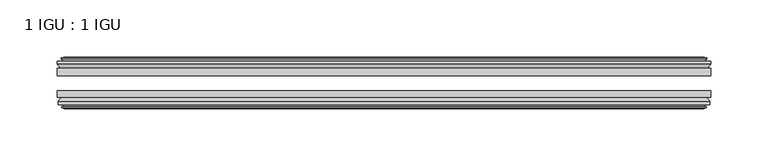
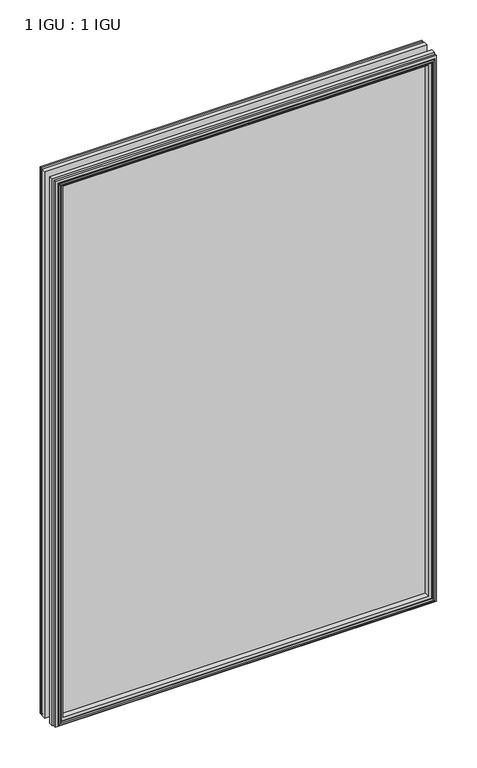
"""IFC4 building model written with IfcOpenShell, lengths in millimetres: plate geometry, 1 IGU : 1 IGU."""

from ifc_helpers import new_model, si_unit, frame, origin, place, context, project, spatial, polyline, outline, extrude, faceted_brep, source, transform, mapped, element, save


def plate_1_igu_1_igu_9da20168(model_context):
    return source(origin(), model_context, "Body", "SolidModel", [
        extrude(outline(polyline([(285.75, -25.8960937), (285.75, -32.2460938), (-285.75, -32.2460938), (-285.75, -25.8960937), (285.75, -25.8960937)])), frame((0.0, 0.0, -12.7), z_axis=(0.0, 0.0, 1.0), x_axis=(1.0, 0.0, 0.0)), (0.0, 0.0, 1.0), 863.6),
        extrude(outline(polyline([(-285.75, -51.2960938), (-285.75, -45.2686737), (285.75, -45.2686737), (285.75, -51.2960938), (-285.75, -51.2960938)])), frame((0.0, 0.0, -12.7), z_axis=(0.0, 0.0, 1.0), x_axis=(1.0, 0.0, 0.0)), (0.0, 0.0, 1.0), 863.6),
        faceted_brep([(-280.162, -60.0262907, 845.312), (-280.543, -57.6460937, 845.693), (-280.543, -57.6460937, -7.493), (-280.162, -60.0262907, -7.112), (-281.577529, -59.5663575, 846.727529), (-281.577529, -59.5663575, -8.5275291), (-281.577529, -60.3675717, 846.727529), (-281.577529, -60.3675717, -8.5275291), (-279.4, -61.0750937, 844.55), (-279.4, -61.0750937, -6.35), (-277.2224709, -60.3675717, 842.3724709), (-277.2224709, -60.3675717, -4.1724709), (-277.2224709, -59.5663575, 842.3724709), (-277.2224709, -59.5663575, -4.1724709), (-278.638, -60.0262907, 843.788), (-278.638, -60.0262907, -5.588), (-278.257, -57.6460937, 843.407), (-278.257, -57.6460937, -5.207), (-271.3322819, -51.2960937, 836.4822819), (-273.05, -57.6460937, 838.2), (-273.05, -57.6460937, 0.0), (-271.3322819, -51.2960937, 1.7177181), (-284.988, -54.6996937, 850.138), (-282.1536578, -51.2960937, 847.3036578), (-282.1536578, -51.2960937, -9.1036578), (-284.988, -54.6996937, -11.938), (-284.988, -57.6460937, 850.138), (-284.988, -57.6460937, -11.938), (280.543, -57.6460938, -7.493), (280.162, -60.0262907, -7.112), (281.577529, -59.5663575, -8.5275291), (281.577529, -60.3675717, -8.5275291), (279.4, -61.0750937, -6.35), (277.2224709, -60.3675717, -4.1724709), (277.2224709, -59.5663575, -4.1724709), (278.638, -60.0262907, -5.588), (278.257, -57.6460937, -5.207), (273.05, -57.6460937, 0.0), (271.3322819, -51.2960937, 1.7177181), (282.1536578, -51.2960937, -9.1036578), (284.988, -54.6996937, -11.938), (284.988, -57.6460938, -11.938), (280.543, -57.6460938, 845.693), (280.162, -60.0262907, 845.312), (281.577529, -59.5663575, 846.727529), (281.577529, -60.3675717, 846.727529), (279.4, -61.0750937, 844.55), (277.2224709, -60.3675717, 842.3724709), (277.2224709, -59.5663575, 842.3724709), (278.638, -60.0262907, 843.788), (278.257, -57.6460937, 843.407), (273.05, -57.6460937, 838.2), (271.3322819, -51.2960937, 836.4822819), (282.1536578, -51.2960937, 847.3036578), (284.988, -54.6996937, 850.138), (284.988, -57.6460938, 850.138)], [[[0, 1, 2, 3]], [[4, 0, 3, 5]], [[6, 4, 5, 7]], [[8, 6, 7, 9]], [[10, 8, 9, 11]], [[12, 10, 11, 13]], [[14, 12, 13, 15]], [[16, 14, 15, 17]], [[18, 19, 20, 21]], [[22, 23, 24, 25]], [[26, 22, 25, 27]], [[3, 2, 28, 29]], [[5, 3, 29, 30]], [[7, 5, 30, 31]], [[9, 7, 31, 32]], [[11, 9, 32, 33]], [[13, 11, 33, 34]], [[15, 13, 34, 35]], [[17, 15, 35, 36]], [[21, 20, 37, 38]], [[25, 24, 39, 40]], [[27, 25, 40, 41]], [[29, 28, 42, 43]], [[30, 29, 43, 44]], [[31, 30, 44, 45]], [[32, 31, 45, 46]], [[33, 32, 46, 47]], [[34, 33, 47, 48]], [[35, 34, 48, 49]], [[36, 35, 49, 50]], [[38, 37, 51, 52]], [[40, 39, 53, 54]], [[41, 40, 54, 55]], [[27, 41, 55, 26], [1, 42, 28, 2]], [[43, 42, 1, 0]], [[44, 43, 0, 4]], [[45, 44, 4, 6]], [[46, 45, 6, 8]], [[47, 46, 8, 10]], [[48, 47, 10, 12]], [[49, 48, 12, 14]], [[50, 49, 14, 16]], [[17, 36, 50, 16], [19, 51, 37, 20]], [[52, 51, 19, 18]], [[23, 53, 39, 24], [21, 38, 52, 18]], [[54, 53, 23, 22]], [[55, 54, 22, 26]]]),
        faceted_brep([(-282.6743578, -25.8960937, 847.8243578), (-285.5087, -22.4924937, 850.6587), (-285.5087, -22.4924937, -12.4587), (-282.6743578, -25.8960937, -9.6243578), (-273.5707, -19.5460937, 838.7207), (-271.8529819, -25.8960937, 837.0029819), (-271.8529819, -25.8960937, 1.1970181), (-273.5707, -19.5460937, -0.5207), (-279.1587, -17.1658968, 844.3087), (-278.7777, -19.5460937, 843.9277), (-278.7777, -19.5460937, -5.7277), (-279.1587, -17.1658968, -6.1087), (-277.7431709, -17.62583, 842.8931709), (-277.7431709, -17.62583, -4.6931709), (-277.7431709, -16.8246158, 842.8931709), (-277.7431709, -16.8246158, -4.6931709), (-279.9207, -16.1170937, 845.0707), (-279.9207, -16.1170937, -6.8707), (-282.098229, -16.8246158, 847.248229), (-282.098229, -16.8246158, -9.0482291), (-282.098229, -17.62583, 847.248229), (-282.098229, -17.62583, -9.0482291), (-280.6827, -17.1658968, 845.8327), (-280.6827, -17.1658968, -7.6327), (-281.0637, -19.5460937, 846.2137), (-281.0637, -19.5460937, -8.0137), (-285.5087, -19.5460937, 850.6587), (-285.5087, -19.5460937, -12.4587), (285.5087, -22.4924937, -12.4587), (282.6743578, -25.8960937, -9.6243578), (271.8529819, -25.8960937, 1.1970181), (273.5707, -19.5460937, -0.5207), (278.7777, -19.5460937, -5.7277), (279.1587, -17.1658968, -6.1087), (277.7431709, -17.62583, -4.6931709), (277.7431709, -16.8246158, -4.6931709), (279.9207, -16.1170937, -6.8707), (282.098229, -16.8246158, -9.0482291), (282.098229, -17.62583, -9.0482291), (280.6827, -17.1658968, -7.6327), (281.0637, -19.5460937, -8.0137), (285.5087, -19.5460937, -12.4587), (285.5087, -22.4924937, 850.6587), (282.6743578, -25.8960937, 847.8243578), (271.8529819, -25.8960937, 837.0029819), (273.5707, -19.5460937, 838.7207), (278.7777, -19.5460937, 843.9277), (279.1587, -17.1658968, 844.3087), (277.7431709, -17.62583, 842.8931709), (277.7431709, -16.8246158, 842.8931709), (279.9207, -16.1170937, 845.0707), (282.098229, -16.8246158, 847.248229), (282.098229, -17.62583, 847.248229), (280.6827, -17.1658968, 845.8327), (281.0637, -19.5460937, 846.2137), (285.5087, -19.5460937, 850.6587)], [[[0, 1, 2, 3]], [[4, 5, 6, 7]], [[8, 9, 10, 11]], [[12, 8, 11, 13]], [[14, 12, 13, 15]], [[16, 14, 15, 17]], [[18, 16, 17, 19]], [[20, 18, 19, 21]], [[22, 20, 21, 23]], [[24, 22, 23, 25]], [[1, 26, 27, 2]], [[3, 2, 28, 29]], [[7, 6, 30, 31]], [[11, 10, 32, 33]], [[13, 11, 33, 34]], [[15, 13, 34, 35]], [[17, 15, 35, 36]], [[19, 17, 36, 37]], [[21, 19, 37, 38]], [[23, 21, 38, 39]], [[25, 23, 39, 40]], [[2, 27, 41, 28]], [[29, 28, 42, 43]], [[31, 30, 44, 45]], [[33, 32, 46, 47]], [[34, 33, 47, 48]], [[35, 34, 48, 49]], [[36, 35, 49, 50]], [[37, 36, 50, 51]], [[38, 37, 51, 52]], [[39, 38, 52, 53]], [[40, 39, 53, 54]], [[28, 41, 55, 42]], [[43, 42, 1, 0]], [[3, 29, 43, 0], [5, 44, 30, 6]], [[45, 44, 5, 4]], [[9, 46, 32, 10], [7, 31, 45, 4]], [[47, 46, 9, 8]], [[48, 47, 8, 12]], [[49, 48, 12, 14]], [[50, 49, 14, 16]], [[51, 50, 16, 18]], [[52, 51, 18, 20]], [[53, 52, 20, 22]], [[54, 53, 22, 24]], [[26, 55, 41, 27], [25, 40, 54, 24]], [[42, 55, 26, 1]]]),
    ])


if __name__ == "__main__":
    model = new_model("IFC4")
    model_context = context("Model", 3, world=origin())
    ifc_project = project(units=[si_unit("LENGTHUNIT", "METRE", prefix="MILLI")], contexts=[model_context])
    site = spatial("IfcSite", under=ifc_project)
    building = spatial("IfcBuilding", under=site)
    placement = place(None, origin())
    plate_1_igu_1_igu_shape = plate_1_igu_1_igu_9da20168(model_context)
    element("IfcPlate", 1, ObjectType="1 IGU : 1 IGU", at=placement, inside=building, context=model_context, shape_type="MappedRepresentation", body=[
        mapped(plate_1_igu_1_igu_shape, transform((0.0, 0.0, 0.0), x_axis=(1.0, 0.0, 0.0), y_axis=(0.0, 1.0, 0.0), z_axis=(0.0, 0.0, 1.0))),
    ])
    save(model, "model.ifc")
